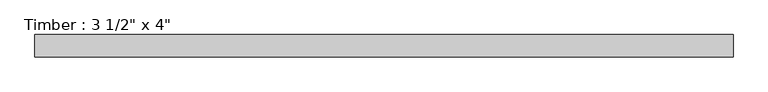
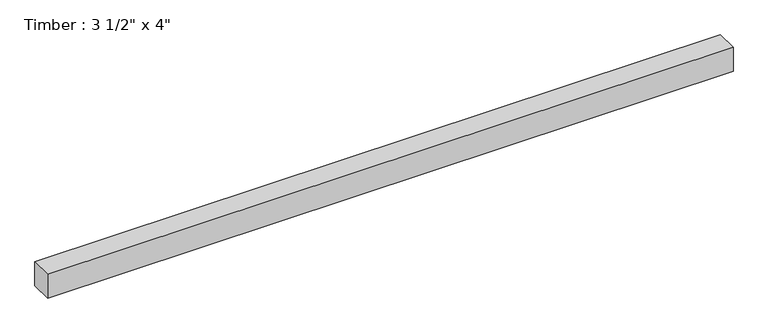
"""IFC4 building model written with IfcOpenShell, lengths in millimetres: beam geometry."""

from ifc_helpers import new_model, si_unit, frame, origin, place, context, project, spatial, polyline, outline, extrude, source, transform, mapped, element, save


def beam_8a21c829(model_context):
    return source(origin(), model_context, "Body", "SweptSolid", [
        extrude(outline(polyline([(1395.4739719, -44.45), (-1395.4739719, -44.45), (-1395.4739719, 44.45), (1395.4739719, 44.45), (1395.4739719, -44.45)])), frame((0.0, 0.0, -50.8), z_axis=(0.0, 0.0, 1.0), x_axis=(1.0, 0.0, 0.0)), (0.0, 0.0, 1.0), 101.6),
    ])


if __name__ == "__main__":
    model = new_model("IFC4")
    model_context = context("Model", 3, world=origin())
    ifc_project = project(units=[si_unit("LENGTHUNIT", "METRE", prefix="MILLI")], contexts=[model_context])
    site = spatial("IfcSite", under=ifc_project)
    building = spatial("IfcBuilding", under=site)
    placement = place(None, origin())
    beam_shape = beam_8a21c829(model_context)
    element("IfcBeam", 1, ObjectType="Timber : 3 1/2\" x 4\"", at=placement, inside=building, context=model_context, shape_type="MappedRepresentation", body=[
        mapped(beam_shape, transform((0.0, 0.0, 0.0), x_axis=(1.0, 0.0, 0.0), y_axis=(0.0, 1.0, 0.0), z_axis=(0.0, 0.0, 1.0))),
    ])
    save(model, "model.ifc")
